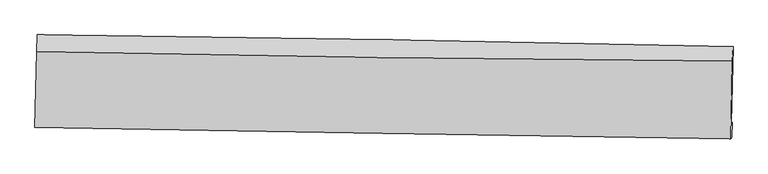
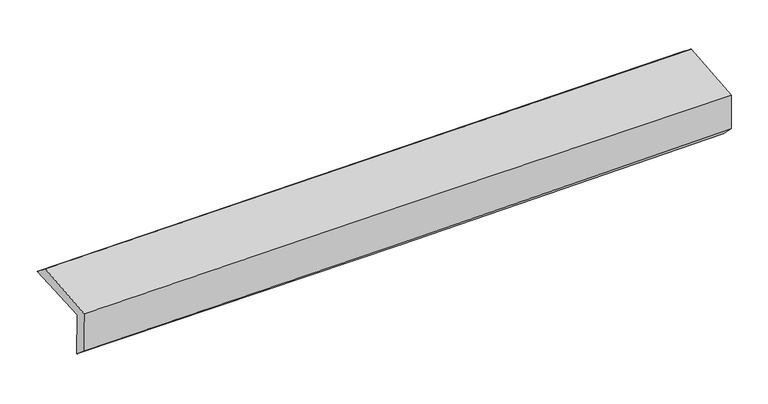
"""IFC4 building model written with IfcOpenShell, lengths in millimetres: proxy geometry."""

import ifcopenshell
import ifcopenshell.guid

model = None  # the IFC model being written
_history = None  # IfcOwnerHistory: only IFC2X3 demands one
_inside = {}  # id of a spatial element -> (the spatial element, [elements in it])
_under = {}  # id of a project, library or spatial element -> (it, [spatial elements below it])
_declared = {}  # id of a project -> (the project, [libraries it declares])
_typed = {}  # id of a type object -> (the type object, [elements of that type])
_made_of = {}  # id of a material, layer set ... -> (it, [elements and type objects made of it])


def new_model(schema):
    """Start an empty IFC model of exactly this schema.

    Asked for "IFC4X3", IfcOpenShell would pick the latest addendum, in which some entities
    have other attributes; the version numbers below select the first issue.
    IFC2X3 requires an IfcOwnerHistory on every rooted entity: one is made here for all.
    """
    global model, _history
    if schema == "IFC4X3":
        model = ifcopenshell.file(schema_version=(4, 3, 0, 0))
    else:
        model = ifcopenshell.file(schema=schema)
    _inside.clear()
    _under.clear()
    _declared.clear()
    _typed.clear()
    _made_of.clear()
    _history = None
    if model.schema == "IFC2X3":
        org = make("IfcOrganization", Name="unknown")
        user = make(
            "IfcPersonAndOrganization",
            ThePerson=make("IfcPerson", FamilyName="unknown"),
            TheOrganization=org,
        )
        app = make(
            "IfcApplication",
            ApplicationDeveloper=org,
            Version="unknown",
            ApplicationFullName="unknown",
            ApplicationIdentifier="unknown",
        )
        _history = make(
            "IfcOwnerHistory",
            OwningUser=user,
            OwningApplication=app,
            ChangeAction="ADDED",
            CreationDate=0,
        )
    return model


def make(cls, **values):
    """One entity of the class cls with the attributes given. An attribute that is None is left unset."""
    return model.create_entity(
        cls, **{name: value for name, value in values.items() if value is not None}
    )


def rooted(cls, **values):
    """An entity with a GlobalId (a new one), such as an element, a storey or a relation."""
    return make(cls, GlobalId=ifcopenshell.guid.new(), OwnerHistory=_history, **values)


def si_unit(unit_type, name, prefix=None):
    """IfcSIUnit, for example si_unit("LENGTHUNIT", "METRE", prefix="MILLI")."""
    return make("IfcSIUnit", UnitType=unit_type, Prefix=prefix, Name=name)


def assignment(units):
    """IfcUnitAssignment: the units of a project."""
    return None if units is None else make("IfcUnitAssignment", Units=units)


def point(xyz):
    """IfcCartesianPoint."""
    return None if xyz is None else make("IfcCartesianPoint", Coordinates=xyz)


def direction(xyz):
    """IfcDirection."""
    return None if xyz is None else make("IfcDirection", DirectionRatios=xyz)


def frame(location, z_axis=None, x_axis=None):
    """IfcAxis2Placement3D, a coordinate frame: its origin and axes. An axis left out is left unset."""
    return make(
        "IfcAxis2Placement3D",
        Location=point(location),
        Axis=direction(z_axis),
        RefDirection=direction(x_axis),
    )


def origin():
    """The frame at (0, 0, 0) with its axes left unset."""
    return frame((0.0, 0.0, 0.0))


def place(relative_to, where):
    """IfcLocalPlacement: puts the frame where relative to a parent placement (None: the world)."""
    return make(
        "IfcLocalPlacement", PlacementRelTo=relative_to, RelativePlacement=where
    )


def context(
    kind, dimensions, precision=None, world=None, true_north=None, identifier=None
):
    """IfcGeometricRepresentationContext, for example the 3D "Model" context."""
    return make(
        "IfcGeometricRepresentationContext",
        ContextIdentifier=identifier,
        ContextType=kind,
        CoordinateSpaceDimension=dimensions,
        Precision=precision,
        WorldCoordinateSystem=world,
        TrueNorth=true_north,
    )


def project(units=None, contexts=None):
    """IfcProject with its units and contexts."""
    return rooted(
        "IfcProject",
        Name="project",
        RepresentationContexts=contexts,
        UnitsInContext=assignment(units),
    )


def spatial(cls, under=None, at=None, **own):
    """A site, building, storey or space (cls), placed at a placement, below another one or the project."""
    s = rooted(cls, ObjectPlacement=at, **own)
    if under is not None:
        _under.setdefault(under.id(), (under, []))[1].append(s)
    return s


def shape(context_of_items, identifier, shape_type, items):
    """IfcShapeRepresentation: the items that make up one representation, for example the "Body"."""
    return make(
        "IfcShapeRepresentation",
        ContextOfItems=context_of_items,
        RepresentationIdentifier=identifier,
        RepresentationType=shape_type,
        Items=items,
    )


def source(mapping_origin, context_of_items, identifier, shape_type, items):
    """IfcRepresentationMap: a shape defined once, which mapped items show again and again."""
    return make(
        "IfcRepresentationMap",
        MappingOrigin=mapping_origin,
        MappedRepresentation=shape(context_of_items, identifier, shape_type, items),
    )


def transform(
    local_origin,
    x_axis=None,
    y_axis=None,
    z_axis=None,
    scale=None,
    scale2=None,
    scale3=None,
    uniform=True,
):
    """IfcCartesianTransformationOperator3D, or its non-uniform kind. x_axis, y_axis, z_axis: its Axis1, 2, 3."""
    if uniform:
        return make(
            "IfcCartesianTransformationOperator3D",
            Axis1=direction(x_axis),
            Axis2=direction(y_axis),
            LocalOrigin=point(local_origin),
            Scale=scale,
            Axis3=direction(z_axis),
        )
    return make(
        "IfcCartesianTransformationOperator3DnonUniform",
        Axis1=direction(x_axis),
        Axis2=direction(y_axis),
        LocalOrigin=point(local_origin),
        Scale=scale,
        Axis3=direction(z_axis),
        Scale2=scale2,
        Scale3=scale3,
    )


def mapped(mapping_source, mapping_target):
    """IfcMappedItem: shows the shape of a source again, moved by a transform."""
    return make(
        "IfcMappedItem", MappingSource=mapping_source, MappingTarget=mapping_target
    )


def made_of(thing, what):
    """Note that an element or type object is made of a material, layer set ...; save() writes the relation."""
    if what is not None:
        _made_of.setdefault(what.id(), (what, []))[1].append(thing)
    return thing


def element(
    cls,
    number,
    at=None,
    inside=None,
    cuts=None,
    type_object=None,
    material=None,
    context=None,
    identifier="Body",
    shape_type=None,
    held_by="IfcProductDefinitionShape",
    body=None,
    shapes=None,
    **own,
):
    """One element of the class cls, such as IfcWall. Its Tag is "e" and its number.

    at: its placement. inside: the storey or other place that contains it. cuts: it is an
    opening in that element (IfcRelVoidsElement). A single representation is given by context,
    identifier, shape_type and body (its items); several are given by shapes. held_by: the class
    of the entity that holds the representations. save() writes the other relations.
    """
    e = rooted(cls, Tag="e%d" % number, ObjectPlacement=at, **own)
    if body is not None:
        shapes = [shape(context, identifier, shape_type, body)]
    if shapes is not None:
        e.Representation = make(held_by, Representations=shapes)
    if inside is not None:
        _inside.setdefault(inside.id(), (inside, []))[1].append(e)
    if cuts is not None:
        rooted(
            "IfcRelVoidsElement", RelatingBuildingElement=cuts, RelatedOpeningElement=e
        )
    if type_object is not None:
        _typed.setdefault(type_object.id(), (type_object, []))[1].append(e)
    return made_of(e, material)


def aggregate(whole, parts):
    """IfcRelAggregates: a whole, such as a stair, and the parts it consists of."""
    return rooted("IfcRelAggregates", RelatingObject=whole, RelatedObjects=parts)


def save(model, path):
    """Write the relations noted so far, then the file.

    IfcRelAggregates (storeys below a building ...), IfcRelContainedInSpatialStructure (elements
    in a storey), IfcRelDefinesByType, IfcRelAssociatesMaterial and IfcRelDeclares: one each for
    every whole, place, type object, material and project.
    """
    for whole, parts in _under.values():
        aggregate(whole, parts)
    for where, things in _inside.values():
        rooted(
            "IfcRelContainedInSpatialStructure",
            RelatedElements=things,
            RelatingStructure=where,
        )
    for kind, things in _typed.values():
        rooted("IfcRelDefinesByType", RelatedObjects=things, RelatingType=kind)
    for what, things in _made_of.values():
        rooted("IfcRelAssociatesMaterial", RelatedObjects=things, RelatingMaterial=what)
    for by, libraries in _declared.values():
        rooted("IfcRelDeclares", RelatingContext=by, RelatedDefinitions=libraries)
    model.write(path)


def plane_surface(at):
    """IfcPlane: the flat surface through the origin of the frame at, square to its z axis."""
    return make("IfcPlane", Position=at)


def spline_curve(degree, points, multiplicities, knots, weights=None):
    """IfcBSplineCurveWithKnots; with weights, IfcRationalBSplineCurveWithKnots."""
    own = dict(
        Degree=degree,
        ControlPointsList=[point(p) for p in points],
        CurveForm="UNSPECIFIED",
        ClosedCurve=False,
        SelfIntersect=False,
        KnotMultiplicities=multiplicities,
        Knots=knots,
        KnotSpec="UNSPECIFIED",
    )
    if weights is None:
        return make("IfcBSplineCurveWithKnots", **own)
    return make("IfcRationalBSplineCurveWithKnots", WeightsData=weights, **own)


def spline_surface(u_degree, v_degree, points, u_multiplicities, v_multiplicities, u_knots, v_knots, weights=None):
    """IfcBSplineSurfaceWithKnots; with weights, IfcRationalBSplineSurfaceWithKnots. points: one row for each step in u."""
    own = dict(
        UDegree=u_degree,
        VDegree=v_degree,
        ControlPointsList=[[point(p) for p in row] for row in points],
        SurfaceForm="UNSPECIFIED",
        UClosed=False,
        VClosed=False,
        SelfIntersect=False,
        UMultiplicities=u_multiplicities,
        VMultiplicities=v_multiplicities,
        UKnots=u_knots,
        VKnots=v_knots,
        KnotSpec="UNSPECIFIED",
    )
    if weights is None:
        return make("IfcBSplineSurfaceWithKnots", **own)
    return make("IfcRationalBSplineSurfaceWithKnots", WeightsData=weights, **own)


def advanced_brep(points, edges, surfaces, faces):
    """IfcAdvancedBrep: a solid bounded by faces that lie on surfaces and meet in shared edges.

    An edge is (start, end): straight between two places in points (the first is 0);
    or (start, end, curve); or (start, end, curve, False) where it runs against its curve.
    A face is (place in surfaces, loops), or (place, loops, False) where it looks against
    its surface's normal. A loop lists edges by number (the first is 1), with a minus sign
    where the edge is run from its end to its start. The first loop is the outer one.
    """
    corners = [point(p) for p in points]
    vertices = [make("IfcVertexPoint", VertexGeometry=c) for c in corners]
    made = []
    for start, end, *more in edges:
        made.append(
            make(
                "IfcEdgeCurve",
                EdgeStart=vertices[start],
                EdgeEnd=vertices[end],
                EdgeGeometry=more[0] if more else make("IfcPolyline", Points=[corners[start], corners[end]]),
                SameSense=more[1] if len(more) > 1 else True,
            )
        )
    hull = []
    for where, loops, *sense in faces:
        bounds = []
        for j, loop in enumerate(loops):
            ring = [make("IfcOrientedEdge", EdgeElement=made[abs(k) - 1], Orientation=k > 0) for k in loop]
            bounds.append(
                make(
                    "IfcFaceOuterBound" if j == 0 else "IfcFaceBound",
                    Bound=make("IfcEdgeLoop", EdgeList=ring),
                    Orientation=True,
                )
            )
        hull.append(make("IfcAdvancedFace", Bounds=bounds, FaceSurface=surfaces[where], SameSense=sense[0] if sense else True))
    return make("IfcAdvancedBrep", Outer=make("IfcClosedShell", CfsFaces=hull))


def generic_models_2f068bd7(model_context):
    return source(origin(), model_context, "Body", "AdvancedBrep", [
        advanced_brep(
        [(-3025.7427104, -1767.4666968, 1971.0857175), (-3010.6100769, -1090.0003069, 1986.3033414), (3014.805157, -1192.7115617, 2133.5170983), (3000.0640083, -1857.9911805, 2113.4519877), (-3015.9504784, -1747.8651557, 1569.8580129), (3009.5406057, -1849.2551233, 1715.111809), (-3021.6189125, -1880.9779975, 1682.5919283), (3003.4107508, -1982.3700166, 1847.6566466), (-3030.6620381, -1892.5634782, 2059.5222866), (2995.1895892, -1992.902449, 2190.3263758), (-3016.6395406, -1234.7956117, 2103.0720523), (3009.6034399, -1318.3145827, 2233.5822596)],
        [
            (0, 1),
            (1, 2, spline_curve(3, [(-3010.6100769, -1090.0003069, 1986.3033414), (-2006.068909013, -1100.86095289, 2004.371846906), (-1001.686194863, -1114.850411593, 2025.673733589), (1006.785556893, -1149.087352023, 2074.744836213), (2010.874587715, -1169.334977788, 2102.514201928), (3014.805157, -1192.7115617, 2133.5170983)], [4, 2, 4], [0.0, 9.888622123184465, 19.777473010803696])),
            (2, 3),
            (3, 0, spline_curve(3, [(3000.0640083, -1857.9911805, 2113.4519877), (1995.871126697, -1847.163508479, 2081.394567343), (991.618316772, -1834.205853384, 2053.501912555), (-1016.983925432, -1804.030927047, 2006.046681556), (-2021.333355208, -1786.813754011, 1986.483913332), (-3025.7427104, -1767.4666968, 1971.0857175)], [4, 2, 4], [0.0, 9.888850887619231, 19.777473010803696])),
            (4, 0),
            (3, 5),
            (5, 4, spline_curve(3, [(3009.5406057, -1849.2551233, 1715.111809), (2005.468497608, -1833.115416945, 1683.082759329), (1001.302377491, -1816.5962977, 1654.963656736), (-1007.194654967, -1782.799624223, 1606.545905308), (-2011.525562669, -1765.522087469, 1586.247076192), (-3015.9504784, -1747.8651557, 1569.8580129)], [4, 2, 4], [0.0, 9.88888002451563, 19.777531283922453])),
            (6, 4),
            (5, 7),
            (7, 6, spline_curve(3, [(3003.4107508, -1982.3700166, 1847.6566466), (1999.443902388, -1966.432664786, 1810.909217376), (995.368864491, -1950.014550646, 1778.78000396), (-1012.974361947, -1916.217188886, 1723.758644668), (-2017.242544753, -1898.837963118, 1700.866285634), (-3021.6189125, -1880.9779975, 1682.5919283)], [4, 2, 4], [0.0, 9.888853412609805, 19.77747806072643])),
            (8, 6),
            (7, 9),
            (9, 8, spline_curve(3, [(2995.1895892, -1992.902449, 2190.3263758), (1990.8117572, -1977.491623536, 2170.709327247), (986.462731301, -1961.424525489, 2150.000323433), (-1022.154476787, -1927.978171382, 2106.398909901), (-2026.422659361, -1910.598945824, 2083.506550625), (-3030.6620381, -1892.5634782, 2059.5222866)], [4, 2, 4], [0.0, 9.888750223700193, 19.777271685294334])),
            (10, 8),
            (9, 11),
            (11, 10, spline_curve(3, [(3009.6034399, -1318.3145827, 2233.5822596), (2005.029930757, -1311.313789296, 2214.112152482), (1000.550453298, -1300.853358076, 2193.50110931), (-1008.197202276, -1273.013540945, 2149.997654291), (-2012.465385203, -1255.634315494, 2127.105295003), (-3016.6395406, -1234.7956117, 2103.0720523)], [4, 2, 4], [0.0, 9.888867475734884, 19.77750618665126])),
            (1, 10),
            (11, 2),
        ],
        [
            spline_surface(3, 3, [[(-3025.7427104, -1767.4666968, 1971.0857175), (-2021.333355305, -1786.813754065, 1986.483913347), (-1016.983925498, -1804.030926981, 2006.046681703), (991.618316838, -1834.205853449, 2053.501912408), (1995.871126605, -1847.163508391, 2081.394567463), (3000.0640083, -1857.9911805, 2113.4519877)], [(-3020.698499218, -1541.644566851, 1976.158258782), (-2016.245206519, -1558.162820303, 1992.446557885), (-1011.884681982, -1574.30408854, 2012.58903231), (996.674063564, -1605.833019573, 2060.582887009), (2000.872280291, -1621.220664865, 2088.434445628), (3004.977724555, -1636.231307561, 2120.140357881)], [(-3015.654288082, -1315.822436849, 1981.230800118), (-2011.157057781, -1329.511886488, 1998.409202476), (-1006.785438483, -1344.577250167, 2019.131382949), (1001.729810273, -1377.460185767, 2067.663861644), (2005.873433914, -1395.277821355, 2095.474323851), (3009.891440745, -1414.471434639, 2126.828728119)], [(-3010.6100769, -1090.0003069, 1986.3033414), (-2006.068908996, -1100.860952726, 2004.371847014), (-1001.686194968, -1114.850411726, 2025.673733556), (1006.785556999, -1149.08735189, 2074.744836245), (2010.874587601, -1169.334977829, 2102.514202016), (3014.805157, -1192.7115617, 2133.5170983)]], [4, 4], [4, 2, 4], [0.0, 2.255977655928684], [0.0, 9.888622123184465, 19.777473010803696]),
            spline_surface(3, 3, [[(-3015.9504784, -1747.8651557, 1569.8580129), (-2011.525562829, -1765.522087628, 1586.247076073), (-1007.194654927, -1782.799624253, 1606.545905461), (1001.30237745, -1816.59629767, 1654.963656583), (2005.468497593, -1833.115416919, 1683.08275925), (3009.5406057, -1849.2551233, 1715.111809)], [(-3019.21455576, -1754.399002706, 1703.600581111), (-2014.794827015, -1772.619309746, 1719.659355175), (-1010.457745131, -1789.876725172, 1739.712830902), (998.074357233, -1822.466149606, 1787.809741886), (2002.269373905, -1837.798114073, 1815.853362004), (3006.381739875, -1852.167142364, 1847.891868583)], [(-3022.47863304, -1760.932849794, 1837.343149289), (-2018.064091119, -1779.716531947, 1853.071634245), (-1013.720835294, -1796.953826062, 1872.879756262), (994.846337055, -1828.336001513, 1920.655827106), (1999.070250293, -1842.480811237, 1948.623964709), (3003.222874125, -1855.079161436, 1980.671928117)], [(-3025.7427104, -1767.4666968, 1971.0857175), (-2021.333355305, -1786.813754065, 1986.483913347), (-1016.983925498, -1804.030926981, 2006.046681703), (991.618316838, -1834.205853449, 2053.501912408), (1995.871126605, -1847.163508391, 2081.394567463), (3000.0640083, -1857.9911805, 2113.4519877)]], [4, 4], [4, 2, 4], [0.0, 1.3110579383788095], [0.0, 9.888651259406823, 19.777531283922453]),
            spline_surface(3, 3, [[(-3021.6189125, -1880.9779975, 1682.5919283), (-2017.24254468, -1898.837963193, 1700.866285531), (-1012.974361791, -1916.217188792, 1723.758644764), (995.368864335, -1950.014550739, 1778.780003863), (1999.443902505, -1966.432664833, 1810.909217394), (3003.4107508, -1982.3700166, 1847.6566466)], [(-3019.729434446, -1836.607050264, 1645.013956505), (-2015.336884042, -1854.399338035, 1662.659882383), (-1011.047792822, -1871.744667296, 1684.68773164), (997.346702055, -1905.541799734, 1737.507888081), (2001.452100863, -1921.993582218, 1768.300398005), (3005.454035762, -1937.998385523, 1803.475034059)], [(-3017.839956454, -1792.236102936, 1607.435984695), (-2013.431223467, -1809.960712786, 1624.453479221), (-1009.121223896, -1827.272145749, 1645.616818585), (999.324539731, -1861.069048676, 1696.235772366), (2003.460299235, -1877.554499534, 1725.691578639), (3007.497320738, -1893.626754377, 1759.293421541)], [(-3015.9504784, -1747.8651557, 1569.8580129), (-2011.525562829, -1765.522087628, 1586.247076073), (-1007.194654927, -1782.799624253, 1606.545905461), (1001.30237745, -1816.59629767, 1654.963656583), (2005.468497593, -1833.115416919, 1683.08275925), (3009.5406057, -1849.2551233, 1715.111809)]], [4, 4], [4, 2, 4], [0.0, 0.5901720481345956], [0.0, 9.888624648116625, 19.77747806072643]),
            spline_surface(3, 3, [[(-3030.6620381, -1892.5634782, 2059.5222866), (-2026.42265952, -1910.598945847, 2083.506550547), (-1022.154476632, -1927.978171445, 2106.39890988), (986.462731145, -1961.424525426, 2150.000323454), (1990.811757337, -1977.491623393, 2170.709327216), (2995.1895892, -1992.902449, 2190.3263758)], [(-3027.6476629, -1888.701651297, 1933.878833819), (-2023.36262124, -1906.678618292, 1955.959795527), (-1019.094438351, -1924.057843891, 1978.852154861), (989.431442208, -1957.621200527, 2026.260216943), (1993.689139071, -1973.805303857, 2050.775957277), (2997.929976411, -1989.391638184, 2076.103132735)], [(-3024.6332877, -1884.839824403, 1808.235381081), (-2020.30258296, -1902.758290747, 1828.41304055), (-1016.034400071, -1920.137516346, 1851.305399784), (992.400153272, -1953.817875638, 1902.520110374), (1996.566520772, -1970.118984369, 1930.842587333), (3000.670363589, -1985.880827416, 1961.879889665)], [(-3021.6189125, -1880.9779975, 1682.5919283), (-2017.24254468, -1898.837963193, 1700.866285531), (-1012.974361791, -1916.217188792, 1723.758644764), (995.368864335, -1950.014550739, 1778.780003863), (1999.443902505, -1966.432664833, 1810.909217394), (3003.4107508, -1982.3700166, 1847.6566466)]], [4, 4], [4, 2, 4], [0.0, 1.237587199063023], [0.0, 9.888521461594141, 19.777271685294334]),
            spline_surface(3, 3, [[(-3016.6395406, -1234.7956117, 2103.0720523), (-2012.465385285, -1255.634315378, 2127.105294861), (-1008.197202397, -1273.013540977, 2149.997654194), (1000.550453419, -1300.853358044, 2193.501109407), (2005.029930698, -1311.313789443, 2214.112152523), (3009.6034399, -1318.3145827, 2233.5822596)], [(-3021.313706443, -1454.051567188, 2088.555463738), (-2017.117810039, -1473.955858855, 2112.572380094), (-1012.849627152, -1491.335084454, 2135.464739428), (995.854545985, -1521.043747159, 2179.000847427), (2000.290539578, -1533.373067429, 2199.644544085), (3004.798823, -1543.177204803, 2219.163631665)], [(-3025.987872257, -1673.307522712, 2074.038875162), (-2021.770234766, -1692.27740237, 2098.039465314), (-1017.502051877, -1709.656627968, 2120.931824647), (991.158638579, -1741.234136311, 2164.500585433), (1995.551148457, -1755.432345406, 2185.176935653), (2999.9942061, -1768.039826897, 2204.745003735)], [(-3030.6620381, -1892.5634782, 2059.5222866), (-2026.42265952, -1910.598945847, 2083.506550547), (-1022.154476632, -1927.978171445, 2106.39890988), (986.462731145, -1961.424525426, 2150.000323454), (1990.811757337, -1977.491623393, 2170.709327216), (2995.1895892, -1992.902449, 2190.3263758)]], [4, 4], [4, 2, 4], [0.0, 2.163245380386571], [0.0, 9.888638710916375, 19.77750618665126]),
            spline_surface(3, 3, [[(-3010.6100769, -1090.0003069, 1986.3033414), (-2006.068908996, -1100.860952726, 2004.371847014), (-1001.686194968, -1114.850411726, 2025.673733556), (1006.785556999, -1149.08735189, 2074.744836245), (2010.874587601, -1169.334977829, 2102.514202016), (3014.805157, -1192.7115617, 2133.5170983)], [(-3012.619898134, -1138.265408495, 2025.226245045), (-2008.201067759, -1152.452073605, 2045.282996308), (-1003.856530775, -1167.571454821, 2067.115040418), (1004.707189142, -1199.67602062, 2114.330260615), (2008.926368631, -1216.661248366, 2139.713518862), (3013.071251298, -1234.579235365, 2166.872152077)], [(-3014.629719366, -1186.530510105, 2064.149148655), (-2010.333226521, -1204.043194499, 2086.194145567), (-1006.02686659, -1220.292497881, 2108.556347332), (1002.628821276, -1250.264689314, 2153.915685037), (2006.978149668, -1263.987518906, 2176.912835677), (3011.337345602, -1276.446909035, 2200.227205823)], [(-3016.6395406, -1234.7956117, 2103.0720523), (-2012.465385285, -1255.634315378, 2127.105294861), (-1008.197202397, -1273.013540977, 2149.997654194), (1000.550453419, -1300.853358044, 2193.501109407), (2005.029930698, -1311.313789443, 2214.112152523), (3009.6034399, -1318.3145827, 2233.5822596)]], [4, 4], [4, 2, 4], [0.0, 0.646471911431229], [0.0, 9.888586495768102, 19.777401755146762]),
            plane_surface(frame((3005.4355918, -1698.9241523, 2038.9410295), z_axis=(0.9994679444289135, -0.02284806295135933, 0.02327647048873501), x_axis=(0.023973285818487827, 0.030713057925073874, -0.9992407065567116))),
            plane_surface(frame((-3020.2039595, -1602.2782078, 1895.4055565), z_axis=(-0.999467944429073, 0.022848062944122973, -0.023276470488984714), x_axis=(-0.022325899251520193, -0.9994986212205904, -0.02245128951195632))),
        ],
        [
            (0, [[1, 2, 3, 4]]),
            (1, [[5, -4, 6, 7]]),
            (2, [[8, -7, 9, 10]]),
            (3, [[11, -10, 12, 13]]),
            (4, [[14, -13, 15, 16]]),
            (5, [[17, -16, 18, -2]]),
            (6, [[-12, -9, -6, -3, -18, -15]]),
            (7, [[-1, -5, -8, -11, -14, -17]]),
        ],
    ),
    ])


if __name__ == "__main__":
    model = new_model("IFC4")
    model_context = context("Model", 3, world=origin())
    ifc_project = project(units=[si_unit("LENGTHUNIT", "METRE", prefix="MILLI")], contexts=[model_context])
    site = spatial("IfcSite", under=ifc_project)
    building = spatial("IfcBuilding", under=site)
    placement = place(None, origin())
    generic_models_shape = generic_models_2f068bd7(model_context)
    element("IfcBuildingElementProxy", 1, Name="Generic Models", at=placement, inside=building, context=model_context, shape_type="MappedRepresentation", body=[
        mapped(generic_models_shape, transform((0.0, 0.0, 0.0), x_axis=(1.0, 0.0, 0.0), y_axis=(0.0, 1.0, 0.0), z_axis=(0.0, 0.0, 1.0))),
    ])
    save(model, "model.ifc")
